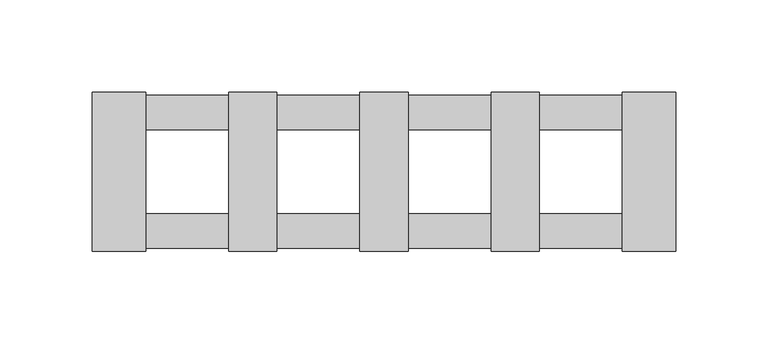
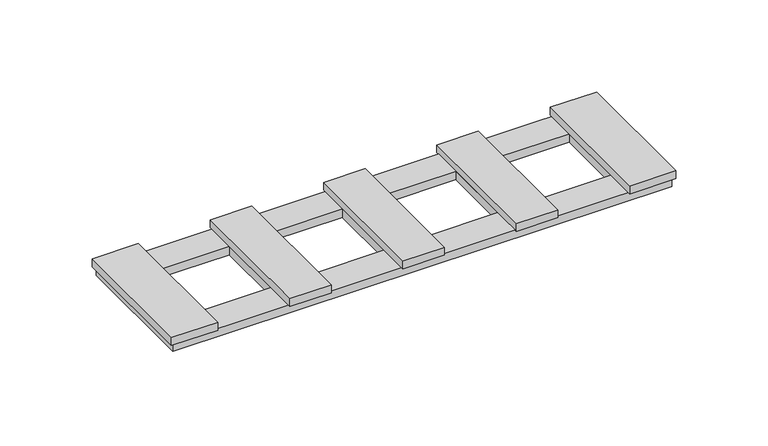
"""IFC4 building model written with IfcOpenShell, lengths in millimetres: proxy geometry."""

from ifc_helpers import new_model, si_unit, frame, origin, origin_with_axes, place, context, project, spatial, polyline, outline, extrude, source, transform, mapped, element, save


def electrical_fixtures_122252c7(model_context):
    return source(origin(), model_context, "Body", "SweptSolid", [
        extrude(outline(polyline([(-157.9, -43.0), (-157.9, 43.0), (-129.0, 43.0), (-129.0, -43.0), (-157.9, -43.0)])), frame((0.0, 0.0, 5.5), z_axis=(0.0, 0.0, 1.0), x_axis=(1.0, 0.0, 0.0)), (0.0, 0.0, 1.0), 5.2),
        extrude(outline(polyline([(-84.0, -43.0), (-84.0, 43.0), (-58.0, 43.0), (-58.0, -43.0), (-84.0, -43.0)])), frame((0.0, 0.0, 5.5), z_axis=(0.0, 0.0, 1.0), x_axis=(1.0, 0.0, 0.0)), (0.0, 0.0, 1.0), 5.2),
        extrude(outline(polyline([(-13.0, -43.0), (-13.0, 43.0), (13.0, 43.0), (13.0, -43.0), (-13.0, -43.0)])), frame((0.0, 0.0, 5.5), z_axis=(0.0, 0.0, 1.0), x_axis=(1.0, 0.0, 0.0)), (0.0, 0.0, 1.0), 5.2),
        extrude(outline(polyline([(157.9, -43.0), (129.0, -43.0), (129.0, 43.0), (157.9, 43.0), (157.9, -43.0)])), frame((0.0, 0.0, 5.5), z_axis=(0.0, 0.0, 1.0), x_axis=(1.0, 0.0, 0.0)), (0.0, 0.0, 1.0), 5.2),
        extrude(outline(polyline([(156.2, 41.5), (156.2, -41.5), (-156.1718172, -41.5), (-156.1718172, 41.5), (156.2, 41.5)]), holes=[polyline([(-84.0, 22.5), (-129.0, 22.5), (-129.0, -22.5), (-84.0, -22.5), (-84.0, 22.5)]), polyline([(-58.0, 22.5), (-58.0, -22.5), (-13.0, -22.5), (-13.0, 22.5), (-58.0, 22.5)]), polyline([(13.0, 22.5), (13.0, -22.5), (58.0, -22.5), (58.0, 22.5), (13.0, 22.5)]), polyline([(84.0, 22.5), (84.0, -22.5), (129.0, -22.5), (129.0, 22.5), (84.0, 22.5)])]), origin_with_axes(), (0.0, 0.0, 1.0), 5.5),
        extrude(outline(polyline([(58.0, -43.0), (58.0, 43.0), (84.0, 43.0), (84.0, -43.0), (58.0, -43.0)])), frame((0.0, 0.0, 5.5), z_axis=(0.0, 0.0, 1.0), x_axis=(1.0, 0.0, 0.0)), (0.0, 0.0, 1.0), 5.2),
    ])


if __name__ == "__main__":
    model = new_model("IFC4")
    model_context = context("Model", 3, world=origin())
    ifc_project = project(units=[si_unit("LENGTHUNIT", "METRE", prefix="MILLI")], contexts=[model_context])
    site = spatial("IfcSite", under=ifc_project)
    building = spatial("IfcBuilding", under=site)
    placement = place(None, origin())
    electrical_fixtures_shape = electrical_fixtures_122252c7(model_context)
    element("IfcBuildingElementProxy", 1, Name="Electrical Fixtures", at=placement, inside=building, context=model_context, shape_type="MappedRepresentation", body=[
        mapped(electrical_fixtures_shape, transform((0.0, 0.0, 0.0), x_axis=(1.0, 0.0, 0.0), y_axis=(0.0, 1.0, 0.0), z_axis=(0.0, 0.0, 1.0))),
    ])
    save(model, "model.ifc")
